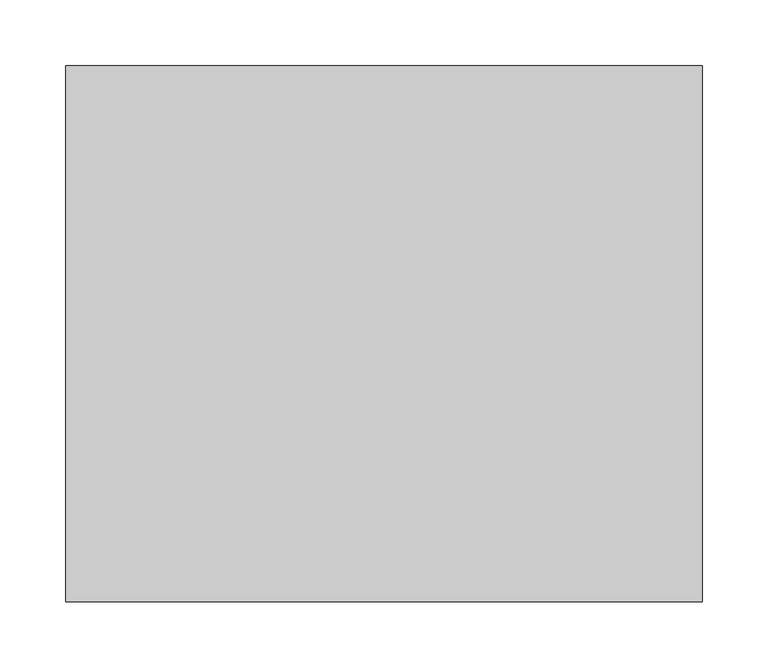
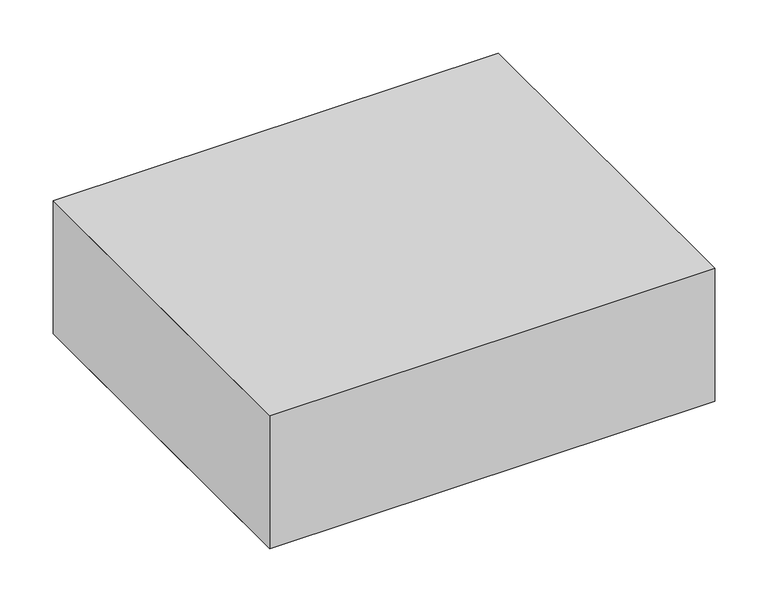
"""IFC4 building model written with IfcOpenShell, lengths in millimetres: proxy geometry."""

import ifcopenshell
import ifcopenshell.guid

model = None  # the IFC model being written
_history = None  # IfcOwnerHistory: only IFC2X3 demands one
_inside = {}  # id of a spatial element -> (the spatial element, [elements in it])
_under = {}  # id of a project, library or spatial element -> (it, [spatial elements below it])
_declared = {}  # id of a project -> (the project, [libraries it declares])
_typed = {}  # id of a type object -> (the type object, [elements of that type])
_made_of = {}  # id of a material, layer set ... -> (it, [elements and type objects made of it])


def new_model(schema):
    """Start an empty IFC model of exactly this schema.

    Asked for "IFC4X3", IfcOpenShell would pick the latest addendum, in which some entities
    have other attributes; the version numbers below select the first issue.
    IFC2X3 requires an IfcOwnerHistory on every rooted entity: one is made here for all.
    """
    global model, _history
    if schema == "IFC4X3":
        model = ifcopenshell.file(schema_version=(4, 3, 0, 0))
    else:
        model = ifcopenshell.file(schema=schema)
    _inside.clear()
    _under.clear()
    _declared.clear()
    _typed.clear()
    _made_of.clear()
    _history = None
    if model.schema == "IFC2X3":
        org = make("IfcOrganization", Name="unknown")
        user = make(
            "IfcPersonAndOrganization",
            ThePerson=make("IfcPerson", FamilyName="unknown"),
            TheOrganization=org,
        )
        app = make(
            "IfcApplication",
            ApplicationDeveloper=org,
            Version="unknown",
            ApplicationFullName="unknown",
            ApplicationIdentifier="unknown",
        )
        _history = make(
            "IfcOwnerHistory",
            OwningUser=user,
            OwningApplication=app,
            ChangeAction="ADDED",
            CreationDate=0,
        )
    return model


def make(cls, **values):
    """One entity of the class cls with the attributes given. An attribute that is None is left unset."""
    return model.create_entity(
        cls, **{name: value for name, value in values.items() if value is not None}
    )


def rooted(cls, **values):
    """An entity with a GlobalId (a new one), such as an element, a storey or a relation."""
    return make(cls, GlobalId=ifcopenshell.guid.new(), OwnerHistory=_history, **values)


def si_unit(unit_type, name, prefix=None):
    """IfcSIUnit, for example si_unit("LENGTHUNIT", "METRE", prefix="MILLI")."""
    return make("IfcSIUnit", UnitType=unit_type, Prefix=prefix, Name=name)


def assignment(units):
    """IfcUnitAssignment: the units of a project."""
    return None if units is None else make("IfcUnitAssignment", Units=units)


def point(xyz):
    """IfcCartesianPoint."""
    return None if xyz is None else make("IfcCartesianPoint", Coordinates=xyz)


def direction(xyz):
    """IfcDirection."""
    return None if xyz is None else make("IfcDirection", DirectionRatios=xyz)


def frame(location, z_axis=None, x_axis=None):
    """IfcAxis2Placement3D, a coordinate frame: its origin and axes. An axis left out is left unset."""
    return make(
        "IfcAxis2Placement3D",
        Location=point(location),
        Axis=direction(z_axis),
        RefDirection=direction(x_axis),
    )


def origin():
    """The frame at (0, 0, 0) with its axes left unset."""
    return frame((0.0, 0.0, 0.0))


def origin_with_axes():
    """The frame at (0, 0, 0) with the z axis (0, 0, 1) and the x axis (1, 0, 0) written out."""
    return frame((0.0, 0.0, 0.0), z_axis=(0.0, 0.0, 1.0), x_axis=(1.0, 0.0, 0.0))


def place(relative_to, where):
    """IfcLocalPlacement: puts the frame where relative to a parent placement (None: the world)."""
    return make(
        "IfcLocalPlacement", PlacementRelTo=relative_to, RelativePlacement=where
    )


def context(
    kind, dimensions, precision=None, world=None, true_north=None, identifier=None
):
    """IfcGeometricRepresentationContext, for example the 3D "Model" context."""
    return make(
        "IfcGeometricRepresentationContext",
        ContextIdentifier=identifier,
        ContextType=kind,
        CoordinateSpaceDimension=dimensions,
        Precision=precision,
        WorldCoordinateSystem=world,
        TrueNorth=true_north,
    )


def project(units=None, contexts=None):
    """IfcProject with its units and contexts."""
    return rooted(
        "IfcProject",
        Name="project",
        RepresentationContexts=contexts,
        UnitsInContext=assignment(units),
    )


def spatial(cls, under=None, at=None, **own):
    """A site, building, storey or space (cls), placed at a placement, below another one or the project."""
    s = rooted(cls, ObjectPlacement=at, **own)
    if under is not None:
        _under.setdefault(under.id(), (under, []))[1].append(s)
    return s


def polyline(points):
    """IfcPolyline through the points."""
    return make("IfcPolyline", Points=[point(p) for p in points])


def outline(outer, holes=None, kind="AREA"):
    """IfcArbitraryClosedProfileDef: a profile drawn as a closed curve; with holes, ...WithVoids."""
    if holes is None:
        return make("IfcArbitraryClosedProfileDef", ProfileType=kind, OuterCurve=outer)
    return make(
        "IfcArbitraryProfileDefWithVoids",
        ProfileType=kind,
        OuterCurve=outer,
        InnerCurves=holes,
    )


def extrude(swept, where, along, depth):
    """IfcExtrudedAreaSolid: the profile swept, set in the frame where, extruded along a direction by depth."""
    return make(
        "IfcExtrudedAreaSolid",
        SweptArea=swept,
        Position=where,
        ExtrudedDirection=direction(along),
        Depth=depth,
    )


def shape(context_of_items, identifier, shape_type, items):
    """IfcShapeRepresentation: the items that make up one representation, for example the "Body"."""
    return make(
        "IfcShapeRepresentation",
        ContextOfItems=context_of_items,
        RepresentationIdentifier=identifier,
        RepresentationType=shape_type,
        Items=items,
    )


def source(mapping_origin, context_of_items, identifier, shape_type, items):
    """IfcRepresentationMap: a shape defined once, which mapped items show again and again."""
    return make(
        "IfcRepresentationMap",
        MappingOrigin=mapping_origin,
        MappedRepresentation=shape(context_of_items, identifier, shape_type, items),
    )


def transform(
    local_origin,
    x_axis=None,
    y_axis=None,
    z_axis=None,
    scale=None,
    scale2=None,
    scale3=None,
    uniform=True,
):
    """IfcCartesianTransformationOperator3D, or its non-uniform kind. x_axis, y_axis, z_axis: its Axis1, 2, 3."""
    if uniform:
        return make(
            "IfcCartesianTransformationOperator3D",
            Axis1=direction(x_axis),
            Axis2=direction(y_axis),
            LocalOrigin=point(local_origin),
            Scale=scale,
            Axis3=direction(z_axis),
        )
    return make(
        "IfcCartesianTransformationOperator3DnonUniform",
        Axis1=direction(x_axis),
        Axis2=direction(y_axis),
        LocalOrigin=point(local_origin),
        Scale=scale,
        Axis3=direction(z_axis),
        Scale2=scale2,
        Scale3=scale3,
    )


def mapped(mapping_source, mapping_target):
    """IfcMappedItem: shows the shape of a source again, moved by a transform."""
    return make(
        "IfcMappedItem", MappingSource=mapping_source, MappingTarget=mapping_target
    )


def made_of(thing, what):
    """Note that an element or type object is made of a material, layer set ...; save() writes the relation."""
    if what is not None:
        _made_of.setdefault(what.id(), (what, []))[1].append(thing)
    return thing


def element(
    cls,
    number,
    at=None,
    inside=None,
    cuts=None,
    type_object=None,
    material=None,
    context=None,
    identifier="Body",
    shape_type=None,
    held_by="IfcProductDefinitionShape",
    body=None,
    shapes=None,
    **own,
):
    """One element of the class cls, such as IfcWall. Its Tag is "e" and its number.

    at: its placement. inside: the storey or other place that contains it. cuts: it is an
    opening in that element (IfcRelVoidsElement). A single representation is given by context,
    identifier, shape_type and body (its items); several are given by shapes. held_by: the class
    of the entity that holds the representations. save() writes the other relations.
    """
    e = rooted(cls, Tag="e%d" % number, ObjectPlacement=at, **own)
    if body is not None:
        shapes = [shape(context, identifier, shape_type, body)]
    if shapes is not None:
        e.Representation = make(held_by, Representations=shapes)
    if inside is not None:
        _inside.setdefault(inside.id(), (inside, []))[1].append(e)
    if cuts is not None:
        rooted(
            "IfcRelVoidsElement", RelatingBuildingElement=cuts, RelatedOpeningElement=e
        )
    if type_object is not None:
        _typed.setdefault(type_object.id(), (type_object, []))[1].append(e)
    return made_of(e, material)


def aggregate(whole, parts):
    """IfcRelAggregates: a whole, such as a stair, and the parts it consists of."""
    return rooted("IfcRelAggregates", RelatingObject=whole, RelatedObjects=parts)


def save(model, path):
    """Write the relations noted so far, then the file.

    IfcRelAggregates (storeys below a building ...), IfcRelContainedInSpatialStructure (elements
    in a storey), IfcRelDefinesByType, IfcRelAssociatesMaterial and IfcRelDeclares: one each for
    every whole, place, type object, material and project.
    """
    for whole, parts in _under.values():
        aggregate(whole, parts)
    for where, things in _inside.values():
        rooted(
            "IfcRelContainedInSpatialStructure",
            RelatedElements=things,
            RelatingStructure=where,
        )
    for kind, things in _typed.values():
        rooted("IfcRelDefinesByType", RelatedObjects=things, RelatingType=kind)
    for what, things in _made_of.values():
        rooted("IfcRelAssociatesMaterial", RelatedObjects=things, RelatingMaterial=what)
    for by, libraries in _declared.values():
        rooted("IfcRelDeclares", RelatingContext=by, RelatedDefinitions=libraries)
    model.write(path)


def specialty_equipment_c6880412(model_context):
    return source(origin(), model_context, "Body", "SweptSolid", [
        extrude(outline(polyline([(241.3, 203.2), (241.3, -203.2), (-241.3, -203.2), (-241.3, 203.2), (241.3, 203.2)])), origin_with_axes(), (0.0, 0.0, 1.0), 152.4),
        extrude(outline(polyline([(-241.3, 203.2), (241.3, 203.2), (241.3, -203.2), (-241.3, -203.2), (-241.3, 0.0), (-241.3, 203.2)])), origin_with_axes(), (0.0, 0.0, 1.0), 152.4),
    ])


if __name__ == "__main__":
    model = new_model("IFC4")
    model_context = context("Model", 3, world=origin())
    ifc_project = project(units=[si_unit("LENGTHUNIT", "METRE", prefix="MILLI")], contexts=[model_context])
    site = spatial("IfcSite", under=ifc_project)
    building = spatial("IfcBuilding", under=site)
    placement = place(None, origin())
    specialty_equipment_shape = specialty_equipment_c6880412(model_context)
    element("IfcBuildingElementProxy", 1, Name="Specialty Equipment", at=placement, inside=building, context=model_context, shape_type="MappedRepresentation", body=[
        mapped(specialty_equipment_shape, transform((0.0, 0.0, 0.0), x_axis=(1.0, 0.0, 0.0), y_axis=(0.0, 1.0, 0.0), z_axis=(0.0, 0.0, 1.0))),
    ])
    save(model, "model.ifc")
